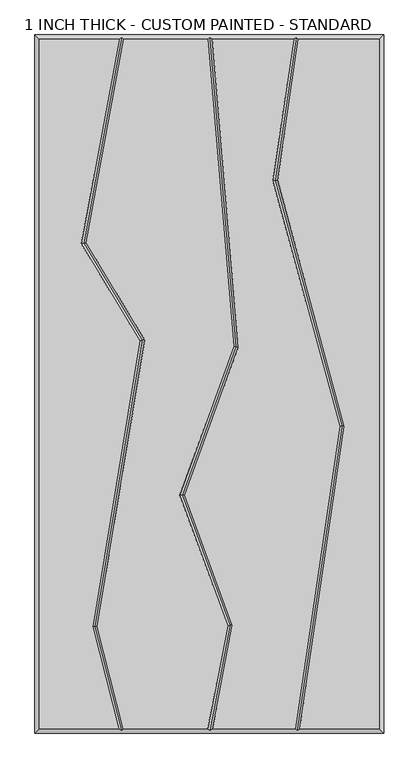
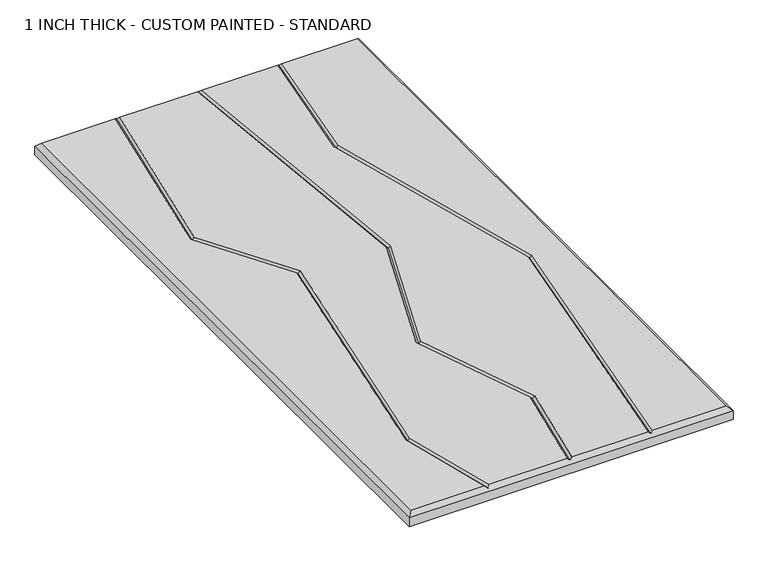
"""IFC4 building model written with IfcOpenShell, lengths in millimetres: proxy geometry, 1 INCH THICK - CUSTOM PAINTED - STANDARD."""

from ifc_helpers import new_model, si_unit, origin, place, context, project, spatial, faceted_brep, source, transform, mapped, element, save


def proxy_1_inch_thick_custom_painted_standard_7171ace4(model_context):
    return source(origin(), model_context, "Body", "Brep", [
        faceted_brep([(-296.799, 601.599, 25.4), (-296.799, -601.599, 25.4), (-158.5803509, -601.599, 25.4), (-204.1076125, -423.9126768, 25.4), (-121.6761617, 75.6458719, 25.4), (-223.5207333, 244.8349563, 25.4), (-157.9388411, 601.599, 25.4), (296.799, -601.599, 25.4), (296.799, 601.599, 25.4), (155.2631596, 601.599, 25.4), (118.9316967, 355.4997887, 25.4), (235.610381, -73.3512983, 25.4), (157.6255242, -601.599, 25.4), (-195.9395558, -423.5559486, 25.4), (-150.3208924, -601.599, 25.4), (-2.5427902, -601.599, 25.4), (31.8547327, -421.752345, 25.4), (-51.4382369, -194.5897006, 25.4), (42.0141797, 65.5616213, 25.4), (-3.3378717, 601.599, 25.4), (-149.8037818, 601.599, 25.4), (-215.1040836, 246.3668022, 25.4), (-113.3024346, 77.2490229, 25.4), (40.1296065, -421.0786666, 25.4), (5.6032357, -601.599, 25.4), (149.5378056, -601.599, 25.4), (227.4508614, -73.8376585, 25.4), (110.7721771, 355.0134284, 25.4), (147.175441, 601.599, 25.4), (4.6917136, 601.599, 25.4), (50.1337385, 64.4981813, 25.4), (-42.9266108, -194.5617101, 25.4), (-304.8, 609.6, 0.0), (304.8, 609.6, 0.0), (304.8, -609.6, 0.0), (-304.8, -609.6, 0.0), (-304.8, -609.6, 17.399), (-304.8, 609.6, 17.399), (304.8, -609.6, 17.399), (304.8, 609.6, 17.399), (-153.1359224, 605.5995, 21.3995), (0.3384541, 605.5995, 21.3995), (151.8098914, 605.5995, 21.3995), (152.9910738, -605.5995, 21.3995), (0.765086, -605.5995, 21.3995), (-153.4256029, -605.5995, 21.3995), (-200.0235842, -423.7343127, 21.3995), (-117.4892982, 76.4474474, 21.3995), (-219.3124085, 245.6008793, 21.3995), (35.9921696, -421.4155058, 21.3995), (-47.1824239, -194.5757053, 21.3995), (46.0739591, 65.0299013, 21.3995), (231.5306212, -73.5944784, 21.3995), (114.8519369, 355.2566085, 21.3995)], [[[0, 1, 2, 3, 4, 5, 6]], [[7, 8, 9, 10, 11, 12]], [[13, 14, 15, 16, 17, 18, 19, 20, 21, 22]], [[23, 24, 25, 26, 27, 28, 29, 30, 31]], [[32, 33, 34, 35]], [[32, 35, 36, 37]], [[35, 34, 38, 36]], [[34, 33, 39, 38]], [[33, 32, 37, 39]], [[37, 0, 6, 40, 20, 19, 41, 29, 28, 42, 9, 8, 39]], [[0, 37, 36, 1]], [[1, 36, 38, 7, 12, 43, 25, 24, 44, 15, 14, 45, 2]], [[39, 8, 7, 38]], [[46, 3, 2, 45]], [[13, 46, 45, 14]], [[3, 46, 47, 4]], [[46, 13, 22, 47]], [[4, 47, 48, 5]], [[47, 22, 21, 48]], [[5, 48, 40, 6]], [[48, 21, 20, 40]], [[49, 16, 15, 44]], [[23, 49, 44, 24]], [[16, 49, 50, 17]], [[49, 23, 31, 50]], [[17, 50, 51, 18]], [[50, 31, 30, 51]], [[18, 51, 41, 19]], [[51, 30, 29, 41]], [[52, 26, 25, 43]], [[11, 52, 43, 12]], [[26, 52, 53, 27]], [[52, 11, 10, 53]], [[27, 53, 42, 28]], [[53, 10, 9, 42]]]),
    ])


if __name__ == "__main__":
    model = new_model("IFC4")
    model_context = context("Model", 3, world=origin())
    ifc_project = project(units=[si_unit("LENGTHUNIT", "METRE", prefix="MILLI")], contexts=[model_context])
    site = spatial("IfcSite", under=ifc_project)
    building = spatial("IfcBuilding", under=site)
    placement = place(None, origin())
    proxy_1_inch_thick_custom_painted_standard_shape = proxy_1_inch_thick_custom_painted_standard_7171ace4(model_context)
    element("IfcBuildingElementProxy", 1, Name="1 INCH THICK - CUSTOM PAINTED - STANDARD", ObjectType="1 INCH THICK - CUSTOM PAINTED - STANDARD", at=placement, inside=building, context=model_context, shape_type="MappedRepresentation", body=[
        mapped(proxy_1_inch_thick_custom_painted_standard_shape, transform((0.0, 0.0, 0.0), x_axis=(1.0, 0.0, 0.0), y_axis=(0.0, 1.0, 0.0), z_axis=(0.0, 0.0, 1.0))),
    ])
    save(model, "model.ifc")
